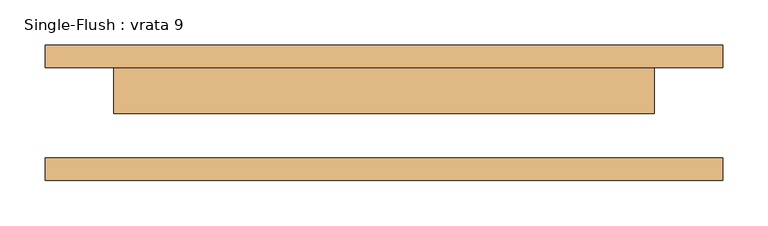
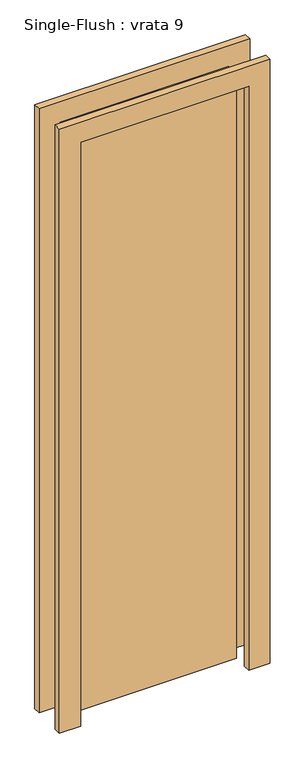
"""IFC4 building model written with IfcOpenShell, lengths in millimetres: door geometry, Single-Flush : vrata 9."""

from ifc_helpers import new_model, si_unit, frame, origin, origin_with_axes, place, context, project, spatial, polyline, outline, extrude, source, transform, mapped, element, save


def single_flush_vrata_9_279f2c26(model_context):
    return source(origin(), model_context, "Body", "SweptSolid", [
        extrude(outline(polyline([(2276.2, -376.2), (0.0, -376.2), (0.0, -300.0), (2200.0, -300.0), (2200.0, 300.0), (0.0, 300.0), (0.0, 376.2), (2276.2, 376.2), (2276.2, -376.2)])), frame((0.0, 50.0, 0.0), z_axis=(0.0, 1.0, 0.0), x_axis=(0.0, 0.0, 1.0)), (0.0, 0.0, 1.0), 25.4),
        extrude(outline(polyline([(2276.2, 376.2), (2276.2, -376.2), (0.0, -376.2), (0.0, -300.0), (2200.0, -300.0), (2200.0, 300.0), (0.0, 300.0), (0.0, 376.2), (2276.2, 376.2)])), frame((0.0, -75.4, 0.0), z_axis=(0.0, 1.0, 0.0), x_axis=(0.0, 0.0, 1.0)), (0.0, 0.0, 1.0), 25.4),
        extrude(outline(polyline([(300.0, -0.8), (-300.0, -0.8), (-300.0, 50.0), (300.0, 50.0), (300.0, -0.8)])), origin_with_axes(), (0.0, 0.0, 1.0), 2200.0),
    ])


if __name__ == "__main__":
    model = new_model("IFC4")
    model_context = context("Model", 3, world=origin())
    ifc_project = project(units=[si_unit("LENGTHUNIT", "METRE", prefix="MILLI")], contexts=[model_context])
    site = spatial("IfcSite", under=ifc_project)
    building = spatial("IfcBuilding", under=site)
    placement = place(None, origin())
    single_flush_vrata_9_shape = single_flush_vrata_9_279f2c26(model_context)
    element("IfcDoor", 1, ObjectType="Single-Flush : vrata 9", at=placement, inside=building, context=model_context, shape_type="MappedRepresentation", body=[
        mapped(single_flush_vrata_9_shape, transform((0.0, 0.0, 0.0), x_axis=(1.0, 0.0, 0.0), y_axis=(0.0, 1.0, 0.0), z_axis=(0.0, 0.0, 1.0))),
    ])
    save(model, "model.ifc")
